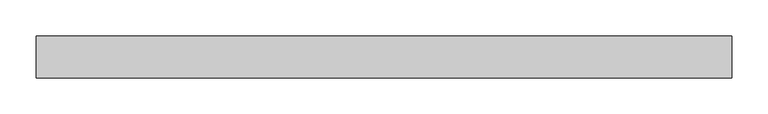
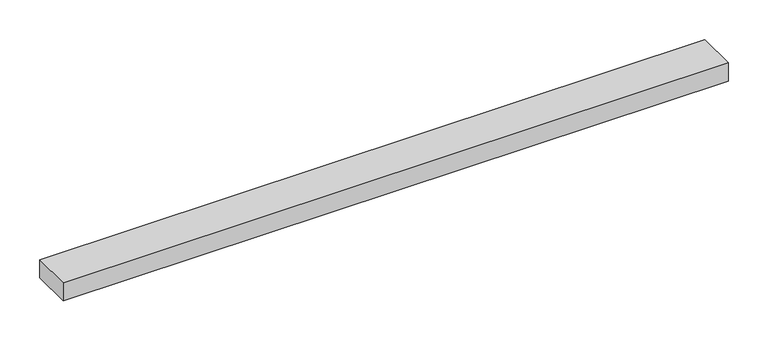
"""IFC4 building model written with IfcOpenShell, lengths in millimetres: proxy geometry."""

import ifcopenshell
import ifcopenshell.guid

model = None  # the IFC model being written
_history = None  # IfcOwnerHistory: only IFC2X3 demands one
_inside = {}  # id of a spatial element -> (the spatial element, [elements in it])
_under = {}  # id of a project, library or spatial element -> (it, [spatial elements below it])
_declared = {}  # id of a project -> (the project, [libraries it declares])
_typed = {}  # id of a type object -> (the type object, [elements of that type])
_made_of = {}  # id of a material, layer set ... -> (it, [elements and type objects made of it])


def new_model(schema):
    """Start an empty IFC model of exactly this schema.

    Asked for "IFC4X3", IfcOpenShell would pick the latest addendum, in which some entities
    have other attributes; the version numbers below select the first issue.
    IFC2X3 requires an IfcOwnerHistory on every rooted entity: one is made here for all.
    """
    global model, _history
    if schema == "IFC4X3":
        model = ifcopenshell.file(schema_version=(4, 3, 0, 0))
    else:
        model = ifcopenshell.file(schema=schema)
    _inside.clear()
    _under.clear()
    _declared.clear()
    _typed.clear()
    _made_of.clear()
    _history = None
    if model.schema == "IFC2X3":
        org = make("IfcOrganization", Name="unknown")
        user = make(
            "IfcPersonAndOrganization",
            ThePerson=make("IfcPerson", FamilyName="unknown"),
            TheOrganization=org,
        )
        app = make(
            "IfcApplication",
            ApplicationDeveloper=org,
            Version="unknown",
            ApplicationFullName="unknown",
            ApplicationIdentifier="unknown",
        )
        _history = make(
            "IfcOwnerHistory",
            OwningUser=user,
            OwningApplication=app,
            ChangeAction="ADDED",
            CreationDate=0,
        )
    return model


def make(cls, **values):
    """One entity of the class cls with the attributes given. An attribute that is None is left unset."""
    return model.create_entity(
        cls, **{name: value for name, value in values.items() if value is not None}
    )


def rooted(cls, **values):
    """An entity with a GlobalId (a new one), such as an element, a storey or a relation."""
    return make(cls, GlobalId=ifcopenshell.guid.new(), OwnerHistory=_history, **values)


def si_unit(unit_type, name, prefix=None):
    """IfcSIUnit, for example si_unit("LENGTHUNIT", "METRE", prefix="MILLI")."""
    return make("IfcSIUnit", UnitType=unit_type, Prefix=prefix, Name=name)


def assignment(units):
    """IfcUnitAssignment: the units of a project."""
    return None if units is None else make("IfcUnitAssignment", Units=units)


def point(xyz):
    """IfcCartesianPoint."""
    return None if xyz is None else make("IfcCartesianPoint", Coordinates=xyz)


def direction(xyz):
    """IfcDirection."""
    return None if xyz is None else make("IfcDirection", DirectionRatios=xyz)


def frame(location, z_axis=None, x_axis=None):
    """IfcAxis2Placement3D, a coordinate frame: its origin and axes. An axis left out is left unset."""
    return make(
        "IfcAxis2Placement3D",
        Location=point(location),
        Axis=direction(z_axis),
        RefDirection=direction(x_axis),
    )


def origin():
    """The frame at (0, 0, 0) with its axes left unset."""
    return frame((0.0, 0.0, 0.0))


def place(relative_to, where):
    """IfcLocalPlacement: puts the frame where relative to a parent placement (None: the world)."""
    return make(
        "IfcLocalPlacement", PlacementRelTo=relative_to, RelativePlacement=where
    )


def context(
    kind, dimensions, precision=None, world=None, true_north=None, identifier=None
):
    """IfcGeometricRepresentationContext, for example the 3D "Model" context."""
    return make(
        "IfcGeometricRepresentationContext",
        ContextIdentifier=identifier,
        ContextType=kind,
        CoordinateSpaceDimension=dimensions,
        Precision=precision,
        WorldCoordinateSystem=world,
        TrueNorth=true_north,
    )


def project(units=None, contexts=None):
    """IfcProject with its units and contexts."""
    return rooted(
        "IfcProject",
        Name="project",
        RepresentationContexts=contexts,
        UnitsInContext=assignment(units),
    )


def spatial(cls, under=None, at=None, **own):
    """A site, building, storey or space (cls), placed at a placement, below another one or the project."""
    s = rooted(cls, ObjectPlacement=at, **own)
    if under is not None:
        _under.setdefault(under.id(), (under, []))[1].append(s)
    return s


def polyline(points):
    """IfcPolyline through the points."""
    return make("IfcPolyline", Points=[point(p) for p in points])


def outline(outer, holes=None, kind="AREA"):
    """IfcArbitraryClosedProfileDef: a profile drawn as a closed curve; with holes, ...WithVoids."""
    if holes is None:
        return make("IfcArbitraryClosedProfileDef", ProfileType=kind, OuterCurve=outer)
    return make(
        "IfcArbitraryProfileDefWithVoids",
        ProfileType=kind,
        OuterCurve=outer,
        InnerCurves=holes,
    )


def extrude(swept, where, along, depth):
    """IfcExtrudedAreaSolid: the profile swept, set in the frame where, extruded along a direction by depth."""
    return make(
        "IfcExtrudedAreaSolid",
        SweptArea=swept,
        Position=where,
        ExtrudedDirection=direction(along),
        Depth=depth,
    )


def shape(context_of_items, identifier, shape_type, items):
    """IfcShapeRepresentation: the items that make up one representation, for example the "Body"."""
    return make(
        "IfcShapeRepresentation",
        ContextOfItems=context_of_items,
        RepresentationIdentifier=identifier,
        RepresentationType=shape_type,
        Items=items,
    )


def source(mapping_origin, context_of_items, identifier, shape_type, items):
    """IfcRepresentationMap: a shape defined once, which mapped items show again and again."""
    return make(
        "IfcRepresentationMap",
        MappingOrigin=mapping_origin,
        MappedRepresentation=shape(context_of_items, identifier, shape_type, items),
    )


def transform(
    local_origin,
    x_axis=None,
    y_axis=None,
    z_axis=None,
    scale=None,
    scale2=None,
    scale3=None,
    uniform=True,
):
    """IfcCartesianTransformationOperator3D, or its non-uniform kind. x_axis, y_axis, z_axis: its Axis1, 2, 3."""
    if uniform:
        return make(
            "IfcCartesianTransformationOperator3D",
            Axis1=direction(x_axis),
            Axis2=direction(y_axis),
            LocalOrigin=point(local_origin),
            Scale=scale,
            Axis3=direction(z_axis),
        )
    return make(
        "IfcCartesianTransformationOperator3DnonUniform",
        Axis1=direction(x_axis),
        Axis2=direction(y_axis),
        LocalOrigin=point(local_origin),
        Scale=scale,
        Axis3=direction(z_axis),
        Scale2=scale2,
        Scale3=scale3,
    )


def mapped(mapping_source, mapping_target):
    """IfcMappedItem: shows the shape of a source again, moved by a transform."""
    return make(
        "IfcMappedItem", MappingSource=mapping_source, MappingTarget=mapping_target
    )


def made_of(thing, what):
    """Note that an element or type object is made of a material, layer set ...; save() writes the relation."""
    if what is not None:
        _made_of.setdefault(what.id(), (what, []))[1].append(thing)
    return thing


def element(
    cls,
    number,
    at=None,
    inside=None,
    cuts=None,
    type_object=None,
    material=None,
    context=None,
    identifier="Body",
    shape_type=None,
    held_by="IfcProductDefinitionShape",
    body=None,
    shapes=None,
    **own,
):
    """One element of the class cls, such as IfcWall. Its Tag is "e" and its number.

    at: its placement. inside: the storey or other place that contains it. cuts: it is an
    opening in that element (IfcRelVoidsElement). A single representation is given by context,
    identifier, shape_type and body (its items); several are given by shapes. held_by: the class
    of the entity that holds the representations. save() writes the other relations.
    """
    e = rooted(cls, Tag="e%d" % number, ObjectPlacement=at, **own)
    if body is not None:
        shapes = [shape(context, identifier, shape_type, body)]
    if shapes is not None:
        e.Representation = make(held_by, Representations=shapes)
    if inside is not None:
        _inside.setdefault(inside.id(), (inside, []))[1].append(e)
    if cuts is not None:
        rooted(
            "IfcRelVoidsElement", RelatingBuildingElement=cuts, RelatedOpeningElement=e
        )
    if type_object is not None:
        _typed.setdefault(type_object.id(), (type_object, []))[1].append(e)
    return made_of(e, material)


def aggregate(whole, parts):
    """IfcRelAggregates: a whole, such as a stair, and the parts it consists of."""
    return rooted("IfcRelAggregates", RelatingObject=whole, RelatedObjects=parts)


def save(model, path):
    """Write the relations noted so far, then the file.

    IfcRelAggregates (storeys below a building ...), IfcRelContainedInSpatialStructure (elements
    in a storey), IfcRelDefinesByType, IfcRelAssociatesMaterial and IfcRelDeclares: one each for
    every whole, place, type object, material and project.
    """
    for whole, parts in _under.values():
        aggregate(whole, parts)
    for where, things in _inside.values():
        rooted(
            "IfcRelContainedInSpatialStructure",
            RelatedElements=things,
            RelatingStructure=where,
        )
    for kind, things in _typed.values():
        rooted("IfcRelDefinesByType", RelatedObjects=things, RelatingType=kind)
    for what, things in _made_of.values():
        rooted("IfcRelAssociatesMaterial", RelatedObjects=things, RelatingMaterial=what)
    for by, libraries in _declared.values():
        rooted("IfcRelDeclares", RelatingContext=by, RelatedDefinitions=libraries)
    model.write(path)


def specialty_equipment_9fd30fea(model_context):
    return source(origin(), model_context, "Body", "SweptSolid", [
        extrude(outline(polyline([(-482.6, -29.2199219), (-482.6, 29.2199219), (482.6, 29.2199219), (482.6, -29.2199219), (-482.6, -29.2199219)])), frame((0.0, 0.0, -13.9898438), z_axis=(0.0, 0.0, 1.0), x_axis=(1.0, 0.0, 0.0)), (0.0, 0.0, 1.0), 27.9796875),
    ])


if __name__ == "__main__":
    model = new_model("IFC4")
    model_context = context("Model", 3, world=origin())
    ifc_project = project(units=[si_unit("LENGTHUNIT", "METRE", prefix="MILLI")], contexts=[model_context])
    site = spatial("IfcSite", under=ifc_project)
    building = spatial("IfcBuilding", under=site)
    placement = place(None, origin())
    specialty_equipment_shape = specialty_equipment_9fd30fea(model_context)
    element("IfcBuildingElementProxy", 1, Name="Specialty Equipment", at=placement, inside=building, context=model_context, shape_type="MappedRepresentation", body=[
        mapped(specialty_equipment_shape, transform((0.0, 0.0, 0.0), x_axis=(1.0, 0.0, 0.0), y_axis=(0.0, 1.0, 0.0), z_axis=(0.0, 0.0, 1.0))),
    ])
    save(model, "model.ifc")
